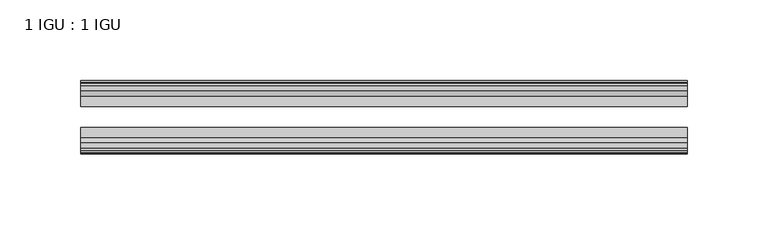
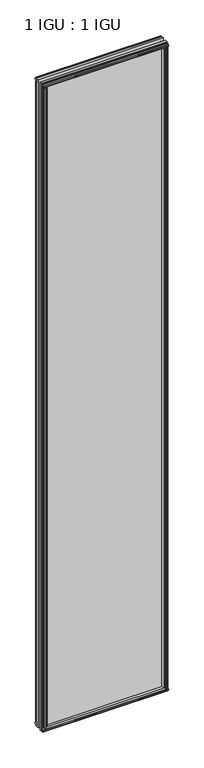
"""IFC4 building model written with IfcOpenShell, lengths in millimetres: plate geometry, 1 IGU : 1 IGU."""

from ifc_helpers import new_model, si_unit, frame, origin, origin_with_axes, place, context, project, spatial, polyline, outline, extrude, source, transform, mapped, element, save


def plate_1_igu_1_igu_d790ae7c(model_context):
    return source(origin(), model_context, "Body", "SweptSolid", [
        extrude(outline(polyline([(172.9852387, -19.5460937), (175.0905158, -13.1960937), (180.2977102, -13.1960937), (180.6787102, -10.8158968), (179.2631812, -11.27583), (179.2631812, -10.4746158), (181.4407102, -9.7670937), (183.6182393, -10.4746158), (183.6182393, -11.27583), (182.2027102, -10.8158968), (182.5837102, -13.1960937), (187.0287102, -13.1960937), (187.0287102, -16.1419073), (184.8156327, -19.5460937), (172.9852387, -19.5460937)])), origin_with_axes(), (0.0, 0.0, 1.0), 2019.3),
        extrude(outline(polyline([(-172.9852387, -19.5460937), (-184.8156327, -19.5460937), (-187.0287102, -16.1419073), (-187.0287102, -13.1960937), (-182.5837102, -13.1960937), (-182.2027102, -10.8158968), (-183.6182393, -11.27583), (-183.6182393, -10.4746158), (-181.4407102, -9.7670937), (-179.2631812, -10.4746158), (-179.2631812, -11.27583), (-180.6787102, -10.8158968), (-180.2977102, -13.1960937), (-175.0905158, -13.1960937), (-172.9852387, -19.5460937)])), origin_with_axes(), (0.0, 0.0, 1.0), 2019.3),
        extrude(outline(polyline([(-16.1419073, -12.4576852), (-19.5460937, -10.2446077), (-19.5460937, 1.5857863), (-13.1960937, -0.5194908), (-13.1960937, -5.7266852), (-10.8158968, -6.1076852), (-11.27583, -4.6921562), (-10.4746158, -4.6921562), (-9.7670937, -6.8696852), (-10.4746158, -9.0472143), (-11.27583, -9.0472143), (-10.8158968, -7.6316852), (-13.1960937, -8.0126852), (-13.1960937, -12.4576852), (-16.1419073, -12.4576852)])), frame((-187.271025, 0.0, 0.0), z_axis=(1.0, 0.0, 0.0), x_axis=(0.0, 1.0, 0.0)), (0.0, 0.0, 1.0), 374.54205),
        extrude(outline(polyline([(-48.3502802, -11.938), (-51.2960937, -11.938), (-51.2960937, -7.493), (-53.6762907, -7.112), (-53.2163575, -8.5275291), (-54.0175717, -8.5275291), (-54.7250937, -6.35), (-54.0175717, -4.172471), (-53.2163575, -4.172471), (-53.6762907, -5.588), (-51.2960937, -5.207), (-51.2960937, 0.0001944), (-44.9460937, 2.1054715), (-44.9460937, -9.7249225), (-48.3502802, -11.938)])), frame((-187.271025, 0.0, 0.0), z_axis=(1.0, 0.0, 0.0), x_axis=(0.0, 1.0, 0.0)), (0.0, 0.0, 1.0), 374.54205),
        extrude(outline(polyline([(-16.1028367, 2031.7576852), (-13.1960937, 2031.7576852), (-13.1960937, 2027.3126852), (-10.8158968, 2026.9316852), (-11.27583, 2028.3472143), (-10.4746158, 2028.3472143), (-9.7670937, 2026.1696852), (-10.4746158, 2023.9921562), (-11.27583, 2023.9921562), (-10.8158968, 2025.4076852), (-13.1960937, 2025.0266852), (-13.1960937, 2019.7940908), (-19.5460937, 2017.6888137), (-19.5460937, 2029.5192077), (-16.1028367, 2031.7576852)])), frame((-187.271025, 0.0, 0.0), z_axis=(1.0, 0.0, 0.0), x_axis=(0.0, 1.0, 0.0)), (0.0, 0.0, 1.0), 374.54205),
        extrude(outline(polyline([(-48.3893508, 2031.2126), (-44.9460937, 2028.9741225), (-44.9460937, 2017.1437285), (-51.2960937, 2019.2490056), (-51.2960937, 2024.4816), (-53.6762907, 2024.8626), (-53.2163575, 2023.447071), (-54.0175717, 2023.447071), (-54.7250938, 2025.6246), (-54.0175717, 2027.8021291), (-53.2163575, 2027.8021291), (-53.6762907, 2026.3866), (-51.2960937, 2026.7676), (-51.2960937, 2031.2126), (-48.3893508, 2031.2126)])), frame((-187.271025, 0.0, 0.0), z_axis=(1.0, 0.0, 0.0), x_axis=(0.0, 1.0, 0.0)), (0.0, 0.0, 1.0), 374.54205),
        extrude(outline(polyline([(-172.4655535, -44.9460938), (-174.5708306, -51.2960938), (-179.778025, -51.2960938), (-180.159025, -53.6762907), (-178.743496, -53.2163575), (-178.743496, -54.0175717), (-180.921025, -54.7250938), (-183.0985541, -54.0175717), (-183.0985541, -53.2163575), (-181.683025, -53.6762907), (-182.064025, -51.2960938), (-186.509025, -51.2960938), (-186.509025, -48.3502802), (-184.2959475, -44.9460938), (-172.4655535, -44.9460938)])), origin_with_axes(), (0.0, 0.0, 1.0), 2019.3),
        extrude(outline(polyline([(172.4655535, -44.9460938), (184.2959475, -44.9460938), (186.509025, -48.3502802), (186.509025, -51.2960938), (182.064025, -51.2960938), (181.683025, -53.6762907), (183.0985541, -53.2163575), (183.0985541, -54.0175717), (180.921025, -54.7250938), (178.743496, -54.0175717), (178.743496, -53.2163575), (180.159025, -53.6762907), (179.778025, -51.2960938), (174.5708306, -51.2960938), (172.4655535, -44.9460938)])), origin_with_axes(), (0.0, 0.0, 1.0), 2019.3),
        extrude(outline(polyline([(187.271025, -19.5460937), (187.271025, -25.8337453), (-187.271025, -25.8337453), (-187.271025, -19.5460937), (187.271025, -19.5460937)])), frame((0.0, 0.0, -12.7), z_axis=(0.0, 0.0, 1.0), x_axis=(1.0, 0.0, 0.0)), (0.0, 0.0, 1.0), 2044.6872998),
        extrude(outline(polyline([(-187.271025, -44.9460937), (-187.271025, -38.6468938), (187.271025, -38.6468938), (187.271025, -44.9460937), (-187.271025, -44.9460937)])), frame((0.0, 0.0, -12.7), z_axis=(0.0, 0.0, 1.0), x_axis=(1.0, 0.0, 0.0)), (0.0, 0.0, 1.0), 2044.6872998),
    ])


if __name__ == "__main__":
    model = new_model("IFC4")
    model_context = context("Model", 3, world=origin())
    ifc_project = project(units=[si_unit("LENGTHUNIT", "METRE", prefix="MILLI")], contexts=[model_context])
    site = spatial("IfcSite", under=ifc_project)
    building = spatial("IfcBuilding", under=site)
    placement = place(None, origin())
    plate_1_igu_1_igu_shape = plate_1_igu_1_igu_d790ae7c(model_context)
    element("IfcPlate", 1, ObjectType="1 IGU : 1 IGU", at=placement, inside=building, context=model_context, shape_type="MappedRepresentation", body=[
        mapped(plate_1_igu_1_igu_shape, transform((0.0, 0.0, 0.0), x_axis=(1.0, 0.0, 0.0), y_axis=(0.0, 1.0, 0.0), z_axis=(0.0, 0.0, 1.0))),
    ])
    save(model, "model.ifc")
